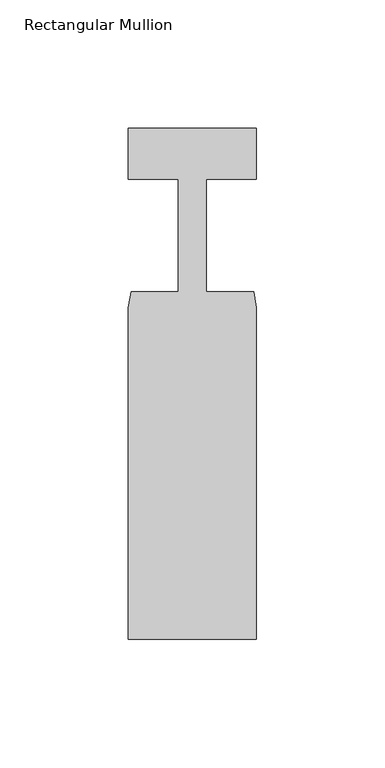
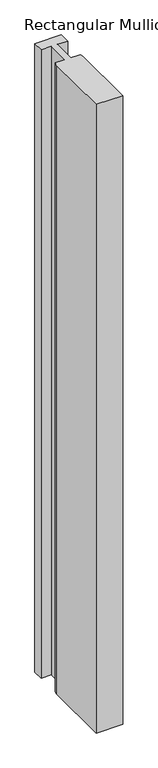
"""IFC4 building model written with IfcOpenShell, lengths in millimetres: member geometry, Rectangular Mullion."""

from ifc_helpers import new_model, si_unit, frame, origin, place, context, project, spatial, polyline, outline, extrude, source, transform, mapped, element, save


def rectangular_mullion_e21fdf28(model_context):
    return source(origin(), model_context, "Body", "SweptSolid", [
        extrude(outline(polyline([(25.0, -152.3), (-25.0, -152.3), (-25.0, -23.0), (-23.9, -16.8), (-5.4999999, -16.8), (-5.4999999, 27.0), (-25.0, 27.0), (-25.0, 47.0), (25.0, 47.0), (25.0, 27.0), (5.5, 27.0), (5.5, -16.8), (23.9, -16.8), (25.0, -23.0), (25.0, -152.3)])), frame((0.0, 0.0, -1250.0), z_axis=(0.0, 0.0, 1.0), x_axis=(1.0, 0.0, 0.0)), (0.0, 0.0, 1.0), 1250.0),
    ])


if __name__ == "__main__":
    model = new_model("IFC4")
    model_context = context("Model", 3, world=origin())
    ifc_project = project(units=[si_unit("LENGTHUNIT", "METRE", prefix="MILLI")], contexts=[model_context])
    site = spatial("IfcSite", under=ifc_project)
    building = spatial("IfcBuilding", under=site)
    placement = place(None, origin())
    rectangular_mullion_shape = rectangular_mullion_e21fdf28(model_context)
    element("IfcMember", 1, ObjectType="Rectangular Mullion", at=placement, inside=building, context=model_context, shape_type="MappedRepresentation", body=[
        mapped(rectangular_mullion_shape, transform((0.0, 0.0, 0.0), x_axis=(1.0, 0.0, 0.0), y_axis=(0.0, 1.0, 0.0), z_axis=(0.0, 0.0, 1.0))),
    ])
    save(model, "model.ifc")
